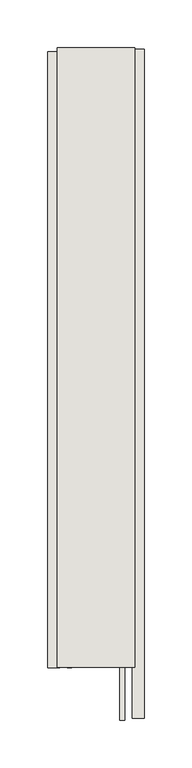
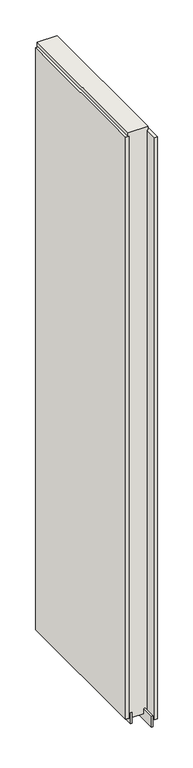
"""IFC4 building model written with IfcOpenShell, lengths in millimetres: wall geometry."""

from ifc_helpers import new_model, si_unit, frame, origin, place, context, project, spatial, polyline, outline, extrude, source, transform, mapped, element, save


def wall_f181a07e(model_context):
    return source(origin(), model_context, "Body", "SweptSolid", [
        extrude(outline(polyline([(61018.457211, -40263.8939704), (61018.457211, -40266.4339704), (61015.917211, -40266.4339704), (61015.917211, -40263.8939704), (61018.457211, -40263.8939704)])), frame((0.0, 0.0, 4419.6), z_axis=(0.0, 0.0, 1.0), x_axis=(1.0, 0.0, 0.0)), (0.0, 0.0, 1.0), 2.54),
        extrude(outline(polyline([(60966.387211, -40916.2445453), (60966.387211, -40268.3566107), (60979.087211, -40268.3566107), (60979.087211, -40916.2445453), (60966.387211, -40916.2445453)])), frame((0.0, 0.0, 4445.0), z_axis=(0.0, 0.0, 1.0), x_axis=(1.0, 0.0, 0.0)), (0.0, 0.0, 1.0), 2545.0498756),
        extrude(outline(polyline([(61067.987211, -40265.8957825), (61067.987211, -40969.0837335), (61055.287211, -40969.0837335), (61055.287211, -40265.8957825), (61067.987211, -40265.8957825)])), frame((0.0, 0.0, 4445.0), z_axis=(0.0, 0.0, 1.0), x_axis=(1.0, 0.0, 0.0)), (0.0, 0.0, 1.0), 2545.0498756),
        extrude(outline(polyline([(60992.1034664, -40263.9020222), (60992.1034664, -40915.7940128), (60987.024711, -40915.7940128), (60987.024711, -40263.9020222), (60992.1034664, -40263.9020222)])), frame((0.0, 0.0, 4418.6602), z_axis=(0.0, 0.0, 1.0), x_axis=(1.0, 0.0, 0.0)), (0.0, 0.0, 1.0), 47.625),
        extrude(outline(polyline([(60992.1034664, -40263.9020222), (60992.1034664, -40915.7940128), (60987.024711, -40915.7940128), (60987.024711, -40263.9020222), (60992.1034664, -40263.9020222)])), frame((0.0, 0.0, 4418.6602), z_axis=(0.0, 0.0, 1.0), x_axis=(1.0, 0.0, 0.0)), (0.0, 0.0, 1.0), 47.625),
        extrude(outline(polyline([(61042.2709556, -40971.0898636), (61042.2709556, -40263.9020222), (61047.349711, -40263.9020222), (61047.349711, -40971.0898636), (61042.2709556, -40971.0898636)])), frame((0.0, 0.0, 4418.6602), z_axis=(0.0, 0.0, 1.0), x_axis=(1.0, 0.0, 0.0)), (0.0, 0.0, 1.0), 47.625),
        extrude(outline(polyline([(61042.2709556, -40971.0898636), (61042.2709556, -40263.9020222), (61047.349711, -40263.9020222), (61047.349711, -40971.0898636), (61042.2709556, -40971.0898636)])), frame((0.0, 0.0, 4418.6602), z_axis=(0.0, 0.0, 1.0), x_axis=(1.0, 0.0, 0.0)), (0.0, 0.0, 1.0), 47.625),
        extrude(outline(polyline([(60976.5323266, -40263.9020222), (61057.8420954, -40263.9020222), (61057.8420954, -40915.7940128), (60976.5323266, -40915.7940128), (60976.5323266, -40263.9020222)])), frame((0.0, 0.0, 4445.0), z_axis=(0.0, 0.0, 1.0), x_axis=(1.0, 0.0, 0.0)), (0.0, 0.0, 1.0), 2562.4536762),
    ])


if __name__ == "__main__":
    model = new_model("IFC4")
    model_context = context("Model", 3, world=origin())
    ifc_project = project(units=[si_unit("LENGTHUNIT", "METRE", prefix="MILLI")], contexts=[model_context])
    site = spatial("IfcSite", under=ifc_project)
    building = spatial("IfcBuilding", under=site)
    placement = place(None, origin())
    wall_shape = wall_f181a07e(model_context)
    element("IfcWall", 1, at=placement, inside=building, context=model_context, shape_type="MappedRepresentation", body=[
        mapped(wall_shape, transform((0.0, 0.0, 0.0), x_axis=(1.0, 0.0, 0.0), y_axis=(0.0, 1.0, 0.0), z_axis=(0.0, 0.0, 1.0))),
    ])
    save(model, "model.ifc")
